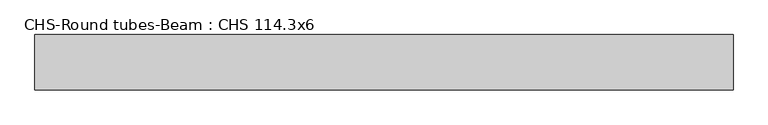
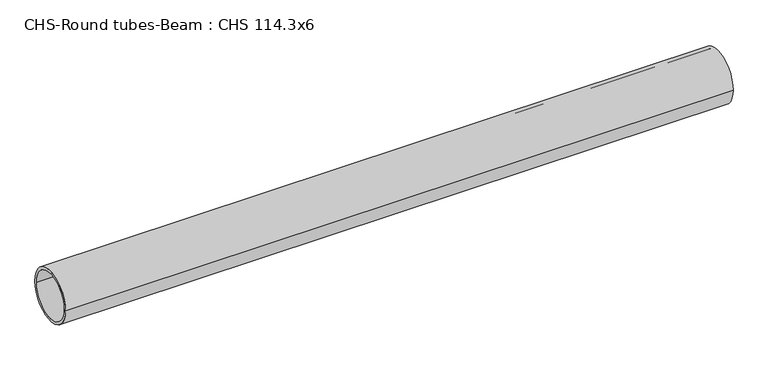
"""IFC4 building model written with IfcOpenShell, lengths in millimetres: beam geometry, CHS-Round tubes-Beam : CHS 114.3x6."""

from ifc_helpers import new_model, si_unit, point, frame, origin, origin_2d, place, context, project, spatial, circle_curve, trimmed, segment, composite_curve, outline, extrude, source, transform, mapped, element, save


def chs_round_tubes_beam_chs_114_3x6_c7f3f61a(model_context):
    return source(origin(), model_context, "Body", "SweptSolid", [
        extrude(outline(composite_curve([segment(trimmed(circle_curve(origin_2d(), 57.15), [point((57.15, 0.0))], [point((-57.15, 0.0))], False, "CARTESIAN"), True, "CONTINUOUS"), segment(trimmed(circle_curve(origin_2d(), 57.15), [point((-57.15, 0.0))], [point((57.15, 0.0))], False, "CARTESIAN"), True, "CONTINUOUS")], self_intersect=False), holes=[composite_curve([segment(trimmed(circle_curve(origin_2d(), 51.15), [point((51.15, 0.0))], [point((-51.15, 0.0))], True, "CARTESIAN"), True, "CONTINUOUS"), segment(trimmed(circle_curve(origin_2d(), 51.15), [point((-51.15, 0.0))], [point((51.15, 0.0))], True, "CARTESIAN"), True, "CONTINUOUS")], self_intersect=False)]), frame((-700.9438623, 0.0, 0.0), z_axis=(1.0, 0.0, 0.0), x_axis=(0.0, 1.0, 0.0)), (0.0, 0.0, 1.0), 1442.2321152),
    ])


if __name__ == "__main__":
    model = new_model("IFC4")
    model_context = context("Model", 3, world=origin())
    ifc_project = project(units=[si_unit("LENGTHUNIT", "METRE", prefix="MILLI")], contexts=[model_context])
    site = spatial("IfcSite", under=ifc_project)
    building = spatial("IfcBuilding", under=site)
    placement = place(None, origin())
    chs_round_tubes_beam_chs_114_3x6_shape = chs_round_tubes_beam_chs_114_3x6_c7f3f61a(model_context)
    element("IfcBeam", 1, ObjectType="CHS-Round tubes-Beam : CHS 114.3x6", at=placement, inside=building, context=model_context, shape_type="MappedRepresentation", body=[
        mapped(chs_round_tubes_beam_chs_114_3x6_shape, transform((0.0, 0.0, 0.0), x_axis=(1.0, 0.0, 0.0), y_axis=(0.0, 1.0, 0.0), z_axis=(0.0, 0.0, 1.0))),
    ])
    save(model, "model.ifc")
